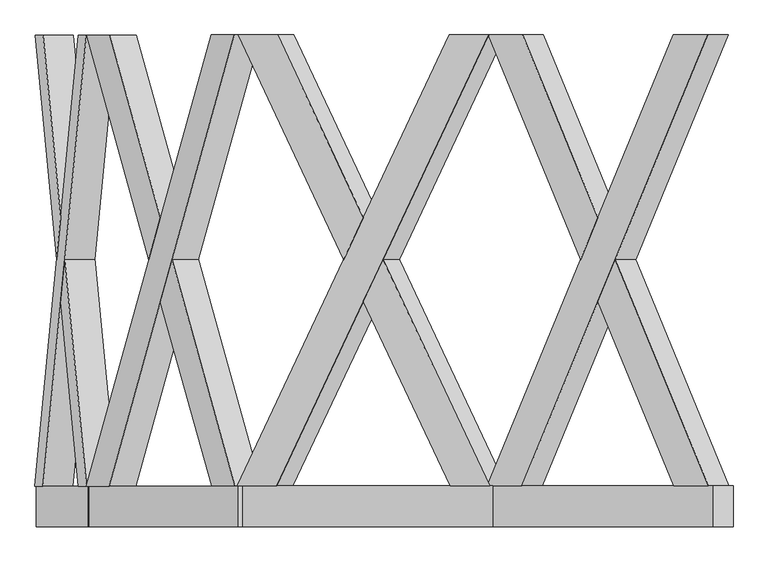
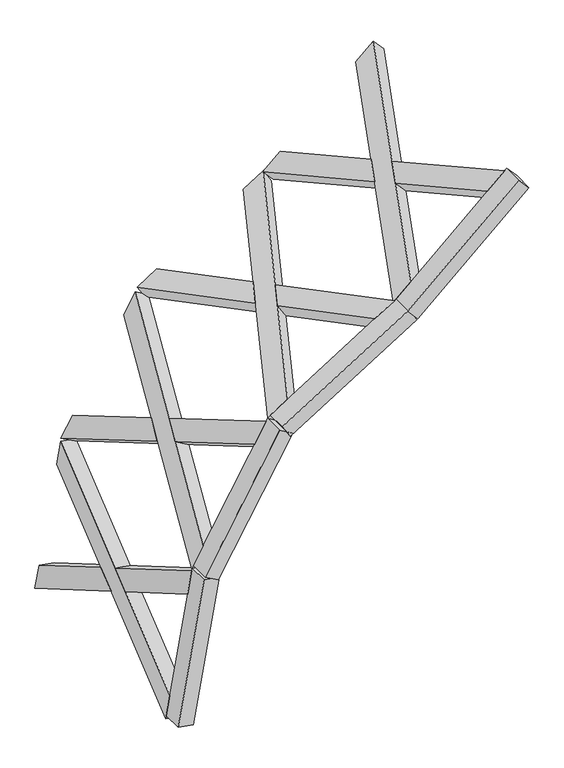
"""IFC4 building model written with IfcOpenShell, lengths in millimetres: proxy geometry."""

from ifc_helpers import new_model, si_unit, frame, origin, place, context, project, spatial, polyline, outline, extrude, faceted_brep, source, transform, mapped, element, save


def generic_models_71e2ecb0(model_context):
    return source(origin(), model_context, "Body", "SolidModel", [
        faceted_brep([(3335.9716088, 100.0, 4378.2918486), (3166.0360769, 100.0, 4225.2812085), (2251.6775145, 2319.6837757, 3401.9890609), (2421.6130463, 2319.6837757, 3554.9997011), (2151.3079235, 2319.6837757, 3513.4607847), (2606.7253762, 1214.1188776, 3923.520501), (2691.6931421, 1420.3854116, 4000.0258211), (2321.2434554, 2319.6837757, 3666.4714249), (3235.6020178, 100.0, 4489.7635725), (2776.6609081, 1214.1188776, 4076.5311411), (2691.6931421, 1007.8523437, 4000.0258211), (3065.666486, 100.0, 4336.7529323), (2741.8779376, 1007.8523437, 3944.2899592), (2656.9101717, 1214.1188776, 3867.7846391), (2741.8779376, 1420.3854116, 3944.2899592), (2826.8457035, 1214.1188776, 4020.7952792)], [[[0, 1, 2, 3]], [[4, 5, 6, 7]], [[8, 9, 10, 11]], [[0, 8, 11, 1]], [[1, 11, 10, 12, 13, 5, 4, 2]], [[2, 4, 7, 3]], [[3, 7, 6, 14, 15, 9, 8, 0]], [[13, 12, 15, 14]], [[12, 10, 9, 15]], [[14, 6, 5, 13]]]),
        faceted_brep([(2248.1538574, 100.0, 3398.8163458), (2707.0949672, 1214.1188776, 3812.0487772), (2792.0627331, 1007.8523437, 3888.5540972), (2418.0893892, 100.0, 3551.826986), (3332.4479517, 2319.6837757, 4375.1191336), (2877.030499, 1214.1188776, 3965.0594173), (2792.0627331, 1420.3854116, 3888.5540972), (3162.5124199, 2319.6837757, 4222.1084934), (2147.7842664, 100.0, 3510.2880697), (2317.7197983, 100.0, 3663.2987098), (3232.0783608, 2319.6837757, 4486.5908574), (3062.1428289, 2319.6837757, 4333.5802172), (2741.8779376, 1007.8523437, 3944.2899592), (2826.8457035, 1214.1188776, 4020.7952792), (2741.8779376, 1420.3854116, 3944.2899592), (2656.9101717, 1214.1188776, 3867.7846391)], [[[0, 1, 2, 3]], [[4, 5, 6, 7]], [[8, 9, 10, 11]], [[3, 9, 8, 0]], [[9, 3, 2, 12, 13, 5, 4, 10]], [[7, 11, 10, 4]], [[11, 7, 6, 14, 15, 1, 0, 8]], [[13, 12, 15, 14]], [[12, 2, 1, 15]], [[14, 6, 5, 13]]]),
        extrude(outline(polyline([(0.0, 200.0), (1460.0, 200.0), (1460.0, 0.0), (0.0, 0.0), (0.0, 200.0)])), frame((3356.8528005, 100.0, 4397.0933581), z_axis=(-0.6691306063588551, 0.0, 0.7431448254773971), x_axis=(-0.7431448254773971, 0.0, -0.6691306063588551)), (0.0, 0.0, 1.0), 150.0),
        faceted_brep([(2237.5916973, 100.0, 3397.4050361), (2043.6678492, 100.0, 3276.2279668), (1000.2372667, 2319.6837757, 2624.220175), (1194.1611148, 2319.6837757, 2745.3972443), (920.7493771, 2319.6837757, 2751.4273894), (1440.4541378, 1214.1188776, 3076.1749665), (1537.4160619, 1420.3854116, 3136.7635011), (1114.6732252, 2319.6837757, 2872.6044587), (2158.1038077, 100.0, 3524.6122505), (1634.3779859, 1214.1188776, 3197.3520357), (1537.4160619, 1007.8523437, 3136.7635011), (1964.1799596, 100.0, 3403.4351813), (1577.1600067, 1007.8523437, 3073.1598939), (1480.1980827, 1214.1188776, 3012.5713592), (1577.1600067, 1420.3854116, 3073.1598939), (1674.1219308, 1214.1188776, 3133.7484285)], [[[0, 1, 2, 3]], [[4, 5, 6, 7]], [[8, 9, 10, 11]], [[0, 8, 11, 1]], [[1, 11, 10, 12, 13, 5, 4, 2]], [[2, 4, 7, 3]], [[3, 7, 6, 14, 15, 9, 8, 0]], [[13, 12, 15, 14]], [[12, 10, 9, 15]], [[14, 6, 5, 13]]]),
        faceted_brep([(996.2162057, 100.0, 2621.7075372), (1519.9420275, 1214.1188776, 2948.967752), (1616.9039515, 1007.8523437, 3009.5562867), (1190.1400538, 100.0, 2742.8846065), (2233.5706363, 2319.6837757, 3394.8923983), (1713.8658756, 1214.1188776, 3070.1448213), (1616.9039515, 1420.3854116, 3009.5562867), (2039.6467882, 2319.6837757, 3273.7153291), (916.7283161, 100.0, 2748.9147517), (1110.6521642, 100.0, 2870.0918209), (2154.0827467, 2319.6837757, 3522.0996128), (1960.1588986, 2319.6837757, 3400.9225435), (1577.1600067, 1007.8523437, 3073.1598939), (1674.1219308, 1214.1188776, 3133.7484285), (1577.1600067, 1420.3854116, 3073.1598939), (1480.1980827, 1214.1188776, 3012.5713592)], [[[0, 1, 2, 3]], [[4, 5, 6, 7]], [[8, 9, 10, 11]], [[3, 9, 8, 0]], [[9, 3, 2, 12, 13, 5, 4, 10]], [[7, 11, 10, 4]], [[11, 7, 6, 14, 15, 1, 0, 8]], [[13, 12, 15, 14]], [[12, 2, 1, 15]], [[14, 6, 5, 13]]]),
        extrude(outline(polyline([(0.0, 200.0), (1460.0, 200.0), (1460.0, 0.0), (0.0, 0.0), (0.0, 200.0)])), frame((2261.4205046, 100.0, 3412.2949275), z_axis=(-0.5299192642332018, 0.0, 0.848048096156428), x_axis=(-0.848048096156428, 0.0, -0.5299192642332018)), (0.0, 0.0, 1.0), 150.0),
        faceted_brep([(1034.4290372, 100.0, 2640.3824678), (920.0936304, 100.0, 2442.3477341), (304.8982263, 2319.6837757, 1376.7980376), (419.2336331, 2319.6837757, 1574.8327712), (174.9944157, 2319.6837757, 1451.7980376), (481.4067307, 1214.1188776, 1982.5197352), (538.5744341, 1420.3854116, 2081.537102), (289.3298225, 2319.6837757, 1649.8327712), (904.5252266, 100.0, 2715.3824678), (595.7421375, 1214.1188776, 2180.5544689), (538.5744341, 1007.8523437, 2081.537102), (790.1898199, 100.0, 2517.3477341), (603.5263394, 1007.8523437, 2044.037102), (546.358636, 1214.1188776, 1945.0197352), (603.5263394, 1420.3854116, 2044.037102), (660.6940428, 1214.1188776, 2143.0544689)], [[[0, 1, 2, 3]], [[4, 5, 6, 7]], [[8, 9, 10, 11]], [[0, 8, 11, 1]], [[1, 11, 10, 12, 13, 5, 4, 2]], [[2, 4, 7, 3]], [[3, 7, 6, 14, 15, 9, 8, 0]], [[13, 12, 15, 14]], [[12, 10, 9, 15]], [[14, 6, 5, 13]]]),
        faceted_brep([(302.5274521, 100.0, 1372.6917363), (611.3105413, 1214.1188776, 1907.5197352), (668.4782447, 1007.8523437, 2006.537102), (416.8628589, 100.0, 1570.72647), (1032.0582631, 2319.6837757, 2636.2761665), (725.6459481, 1214.1188776, 2105.5544689), (668.4782447, 1420.3854116, 2006.537102), (917.7228563, 2319.6837757, 2438.2414328), (172.6236416, 100.0, 1447.6917363), (286.9590484, 100.0, 1645.72647), (902.1544525, 2319.6837757, 2711.2761665), (787.8190457, 2319.6837757, 2513.2414328), (603.5263394, 1007.8523437, 2044.037102), (660.6940428, 1214.1188776, 2143.0544689), (603.5263394, 1420.3854116, 2044.037102), (546.358636, 1214.1188776, 1945.0197352)], [[[0, 1, 2, 3]], [[4, 5, 6, 7]], [[8, 9, 10, 11]], [[3, 9, 8, 0]], [[9, 3, 2, 12, 13, 5, 4, 10]], [[7, 11, 10, 4]], [[11, 7, 6, 14, 15, 1, 0, 8]], [[13, 12, 15, 14]], [[12, 2, 1, 15]], [[14, 6, 5, 13]]]),
        extrude(outline(polyline([(-148.3871943, 0.0), (-348.3871943, 0.0), (-348.3871943, 150.0), (-148.3871943, 150.0), (-148.3871943, 0.0)])), frame((318.4782447, 248.3871943, 1400.3193194), z_axis=(0.5000000000000009, 0.0, 0.8660254037844383), x_axis=(0.0, 1.0, 0.0)), (0.0, 0.0, 1.0), 1460.0),
        faceted_brep([(322.5076823, 100.0, 1397.1241692), (282.7994123, 100.0, 1171.9273791), (69.1442906, 2319.6837757, -39.7710281), (108.8525606, 2319.6837757, 185.425762), (-78.5768724, 2319.6837757, -13.7238015), (27.8390079, 1214.1188776, 589.7906454), (47.6931429, 1420.3854116, 702.3890404), (-38.8686023, 2319.6837757, 211.4729886), (174.7865194, 100.0, 1423.1713958), (67.5472779, 1214.1188776, 814.9874355), (47.6931429, 1007.8523437, 702.3890404), (135.0782493, 100.0, 1197.9746057), (121.5537244, 1007.8523437, 689.3654271), (101.6995893, 1214.1188776, 576.7670321), (121.5537244, 1420.3854116, 689.3654271), (141.4078594, 1214.1188776, 801.9638222)], [[[0, 1, 2, 3]], [[4, 5, 6, 7]], [[8, 9, 10, 11]], [[0, 8, 11, 1]], [[1, 11, 10, 12, 13, 5, 4, 2]], [[2, 4, 7, 3]], [[3, 7, 6, 14, 15, 9, 8, 0]], [[13, 12, 15, 14]], [[12, 10, 9, 15]], [[14, 6, 5, 13]]]),
        faceted_brep([(68.3209294, 100.0, -44.4405416), (175.5601708, 1214.1188776, 563.7434187), (195.4143058, 1007.8523437, 676.3418138), (108.0291994, 100.0, 180.7562485), (321.6843211, 2319.6837757, 1392.4546557), (215.2684409, 1214.1188776, 788.9402088), (195.4143058, 1420.3854116, 676.3418138), (281.976051, 2319.6837757, 1167.2578656), (-79.4002336, 100.0, -18.393315), (-39.6919635, 100.0, 206.8034751), (173.9631581, 2319.6837757, 1418.5018823), (134.2548881, 2319.6837757, 1193.3050922), (121.5537244, 1007.8523437, 689.3654271), (141.4078594, 1214.1188776, 801.9638222), (121.5537244, 1420.3854116, 689.3654271), (101.6995893, 1214.1188776, 576.7670321)], [[[0, 1, 2, 3]], [[4, 5, 6, 7]], [[8, 9, 10, 11]], [[3, 9, 8, 0]], [[9, 3, 2, 12, 13, 5, 4, 10]], [[7, 11, 10, 4]], [[11, 7, 6, 14, 15, 1, 0, 8]], [[13, 12, 15, 14]], [[12, 2, 1, 15]], [[14, 6, 5, 13]]]),
        extrude(outline(polyline([(-148.3871943, 0.0), (-348.3871943, 0.0), (-348.3871943, 150.0), (-148.3871943, 150.0), (-148.3871943, 0.0)])), frame((73.8605815, 248.3871943, -13.0236133), z_axis=(0.1736481776669317, 0.0, 0.9848077530122079), x_axis=(0.0, 1.0, 0.0)), (0.0, 0.0, 1.0), 1460.0),
    ])


if __name__ == "__main__":
    model = new_model("IFC4")
    model_context = context("Model", 3, world=origin())
    ifc_project = project(units=[si_unit("LENGTHUNIT", "METRE", prefix="MILLI")], contexts=[model_context])
    site = spatial("IfcSite", under=ifc_project)
    building = spatial("IfcBuilding", under=site)
    placement = place(None, origin())
    generic_models_shape = generic_models_71e2ecb0(model_context)
    element("IfcBuildingElementProxy", 1, Name="Generic Models", at=placement, inside=building, context=model_context, shape_type="MappedRepresentation", body=[
        mapped(generic_models_shape, transform((0.0, 0.0, 0.0), x_axis=(1.0, 0.0, 0.0), y_axis=(0.0, 1.0, 0.0), z_axis=(0.0, 0.0, 1.0))),
    ])
    save(model, "model.ifc")
